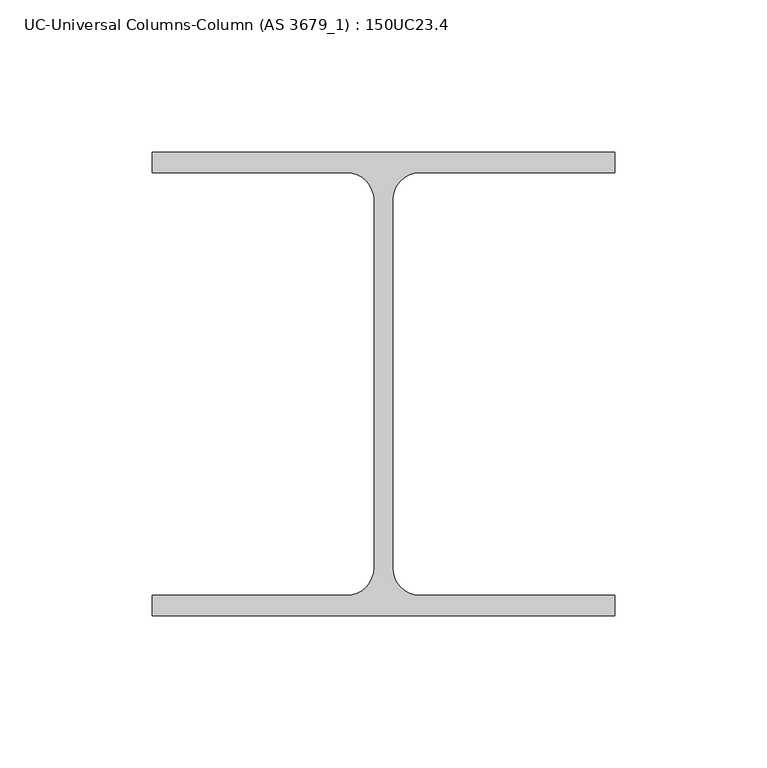
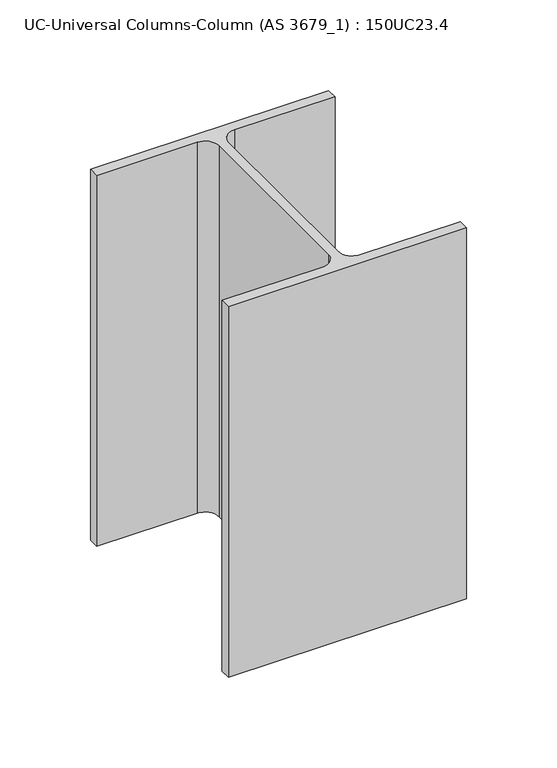
"""IFC4 building model written with IfcOpenShell, lengths in millimetres: column geometry, UC-Universal Columns-Column (AS 3679_1) : 150UC23.4."""

from ifc_helpers import new_model, si_unit, point, frame, frame_2d, origin, place, context, project, spatial, polyline, circle_curve, trimmed, segment, composite_curve, outline, extrude, source, transform, mapped, element, save


def uc_universal_columns_column_as_3679_1_150uc23_4_7255b7d9(model_context):
    return source(origin(), model_context, "Body", "SweptSolid", [
        extrude(outline(composite_curve([segment(polyline([(76.0, -76.2), (-76.0, -76.2), (-76.0, -69.4), (-11.95, -69.4)]), True, "CONTINUOUS"), segment(trimmed(circle_curve(frame_2d((-11.95, -60.5)), 8.9), [point((-11.95, -69.4))], [point((-3.05, -60.5))], True, "CARTESIAN"), True, "CONTINUOUS"), segment(polyline([(-3.05, -60.5), (-3.05, 60.5)]), True, "CONTINUOUS"), segment(trimmed(circle_curve(frame_2d((-11.95, 60.5)), 8.9), [point((-3.05, 60.5))], [point((-11.95, 69.4))], True, "CARTESIAN"), True, "CONTINUOUS"), segment(polyline([(-11.95, 69.4), (-76.0, 69.4), (-76.0, 76.2), (76.0, 76.2), (76.0, 69.4), (11.95, 69.4)]), True, "CONTINUOUS"), segment(trimmed(circle_curve(frame_2d((11.95, 60.5)), 8.9), [point((11.95, 69.4))], [point((3.05, 60.5))], True, "CARTESIAN"), True, "CONTINUOUS"), segment(polyline([(3.05, 60.5), (3.05, -60.5)]), True, "CONTINUOUS"), segment(trimmed(circle_curve(frame_2d((11.95, -60.5)), 8.9), [point((3.05, -60.5))], [point((11.95, -69.4))], True, "CARTESIAN"), True, "CONTINUOUS"), segment(polyline([(11.95, -69.4), (76.0, -69.4), (76.0, -76.2)]), True, "CONTINUOUS")], self_intersect=False)), frame((0.0, 0.0, 6514.7), z_axis=(0.0, 0.0, 1.0), x_axis=(1.0, 0.0, 0.0)), (0.0, 0.0, 1.0), 250.0),
    ])


if __name__ == "__main__":
    model = new_model("IFC4")
    model_context = context("Model", 3, world=origin())
    ifc_project = project(units=[si_unit("LENGTHUNIT", "METRE", prefix="MILLI")], contexts=[model_context])
    site = spatial("IfcSite", under=ifc_project)
    building = spatial("IfcBuilding", under=site)
    placement = place(None, origin())
    uc_universal_columns_column_as_3679_1_150uc23_4_shape = uc_universal_columns_column_as_3679_1_150uc23_4_7255b7d9(model_context)
    element("IfcColumn", 1, ObjectType="UC-Universal Columns-Column (AS 3679_1) : 150UC23.4", at=placement, inside=building, context=model_context, shape_type="MappedRepresentation", body=[
        mapped(uc_universal_columns_column_as_3679_1_150uc23_4_shape, transform((0.0, 0.0, 0.0), x_axis=(1.0, 0.0, 0.0), y_axis=(0.0, 1.0, 0.0), z_axis=(0.0, 0.0, 1.0))),
    ])
    save(model, "model.ifc")
